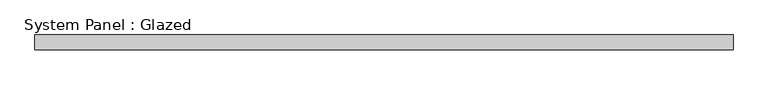
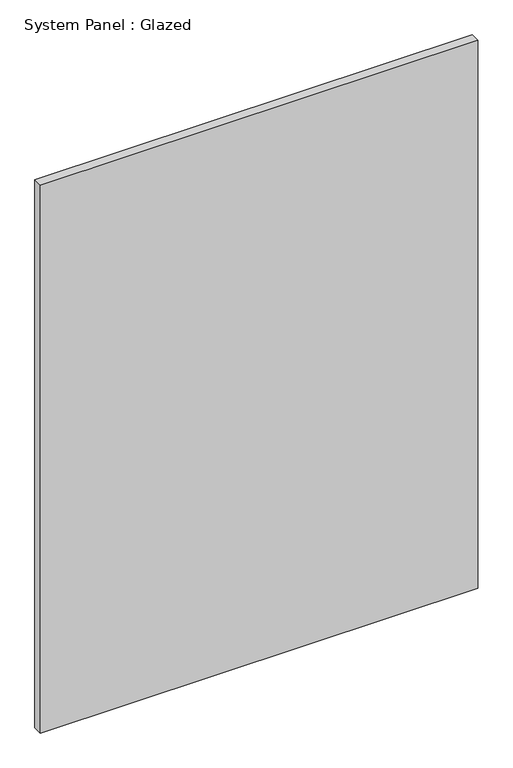
"""IFC4 building model written with IfcOpenShell, lengths in millimetres: plate geometry, System Panel : Glazed."""

from ifc_helpers import new_model, si_unit, origin, origin_with_axes, place, context, project, spatial, polyline, outline, extrude, source, transform, mapped, element, save


def system_panel_glazed_46afe7c1(model_context):
    return source(origin(), model_context, "Body", "SweptSolid", [
        extrude(outline(polyline([(593.25, 19.05), (-593.25, 19.05), (-593.25, 44.45), (593.25, 44.45), (593.25, 19.05)])), origin_with_axes(), (0.0, 0.0, 1.0), 1570.7535601),
    ])


if __name__ == "__main__":
    model = new_model("IFC4")
    model_context = context("Model", 3, world=origin())
    ifc_project = project(units=[si_unit("LENGTHUNIT", "METRE", prefix="MILLI")], contexts=[model_context])
    site = spatial("IfcSite", under=ifc_project)
    building = spatial("IfcBuilding", under=site)
    placement = place(None, origin())
    system_panel_glazed_shape = system_panel_glazed_46afe7c1(model_context)
    element("IfcPlate", 1, ObjectType="System Panel : Glazed", at=placement, inside=building, context=model_context, shape_type="MappedRepresentation", body=[
        mapped(system_panel_glazed_shape, transform((0.0, 0.0, 0.0), x_axis=(1.0, 0.0, 0.0), y_axis=(0.0, 1.0, 0.0), z_axis=(0.0, 0.0, 1.0))),
    ])
    save(model, "model.ifc")
